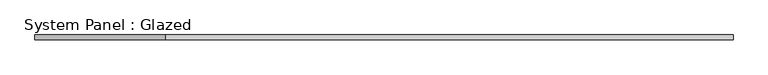
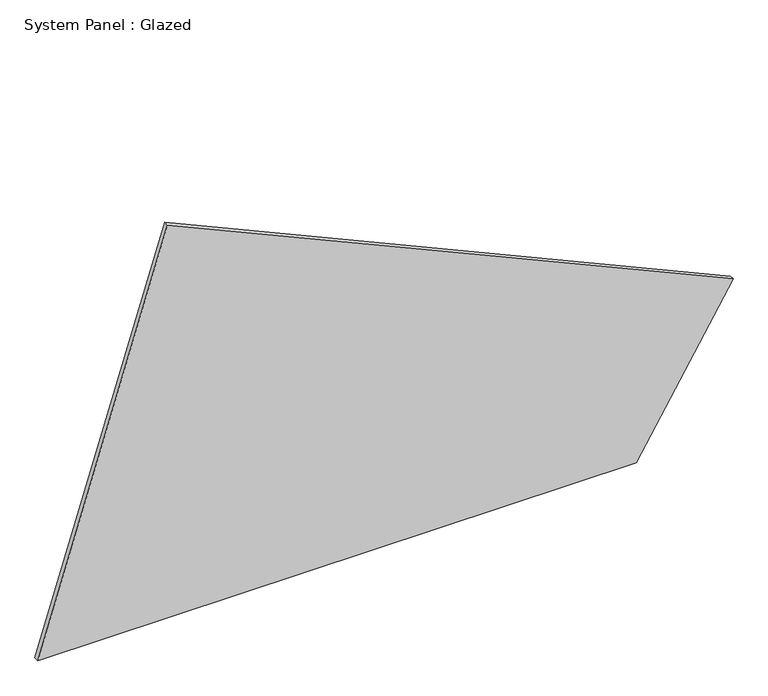
"""IFC4 building model written with IfcOpenShell, lengths in millimetres: plate geometry, System Panel : Glazed."""

from ifc_helpers import new_model, si_unit, frame, origin, place, context, project, spatial, polyline, outline, extrude, source, transform, mapped, element, save


def system_panel_glazed_44483d71(model_context):
    return source(origin(), model_context, "Body", "SweptSolid", [
        extrude(outline(polyline([(0.0, -1744.2030092), (0.0, 1257.6260885), (804.1478392, 1744.2030092), (2083.6413239, -1093.7833485), (0.0, -1744.2030092)])), frame((0.0, -49.5, 0.0), z_axis=(0.0, 1.0, 0.0), x_axis=(0.0, 0.0, 1.0)), (0.0, 0.0, 1.0), 25.0),
    ])


if __name__ == "__main__":
    model = new_model("IFC4")
    model_context = context("Model", 3, world=origin())
    ifc_project = project(units=[si_unit("LENGTHUNIT", "METRE", prefix="MILLI")], contexts=[model_context])
    site = spatial("IfcSite", under=ifc_project)
    building = spatial("IfcBuilding", under=site)
    placement = place(None, origin())
    system_panel_glazed_shape = system_panel_glazed_44483d71(model_context)
    element("IfcPlate", 1, ObjectType="System Panel : Glazed", at=placement, inside=building, context=model_context, shape_type="MappedRepresentation", body=[
        mapped(system_panel_glazed_shape, transform((0.0, 0.0, 0.0), x_axis=(1.0, 0.0, 0.0), y_axis=(0.0, 1.0, 0.0), z_axis=(0.0, 0.0, 1.0))),
    ])
    save(model, "model.ifc")
